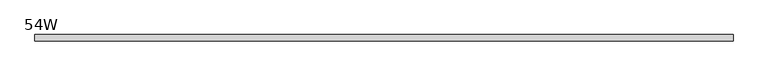
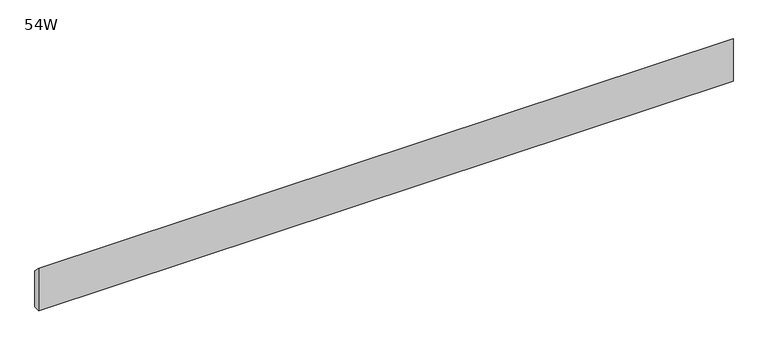
"""IFC4 building model written with IfcOpenShell, lengths in millimetres: furniture geometry, 54W."""

from ifc_helpers import new_model, si_unit, frame, origin, place, context, project, spatial, polyline, outline, extrude, source, transform, mapped, element, save


def furniture_54w_cfbfec15(model_context):
    return source(origin(), model_context, "Body", "SweptSolid", [
        extrude(outline(polyline([(-11.938, -73.152), (-11.938, 9.398), (0.0, -3.302), (0.0, -73.152), (-11.938, -73.152)])), frame((48.006, 0.0, 0.0), z_axis=(1.0, 0.0, 0.0), x_axis=(0.0, 1.0, 0.0)), (0.0, 0.0, 1.0), 1275.588),
    ])


if __name__ == "__main__":
    model = new_model("IFC4")
    model_context = context("Model", 3, world=origin())
    ifc_project = project(units=[si_unit("LENGTHUNIT", "METRE", prefix="MILLI")], contexts=[model_context])
    site = spatial("IfcSite", under=ifc_project)
    building = spatial("IfcBuilding", under=site)
    placement = place(None, origin())
    furniture_54w_shape = furniture_54w_cfbfec15(model_context)
    element("IfcFurniture", 1, ObjectType="54W", at=placement, inside=building, context=model_context, shape_type="MappedRepresentation", body=[
        mapped(furniture_54w_shape, transform((0.0, 0.0, 0.0), x_axis=(1.0, 0.0, 0.0), y_axis=(0.0, 1.0, 0.0), z_axis=(0.0, 0.0, 1.0))),
    ])
    save(model, "model.ifc")
